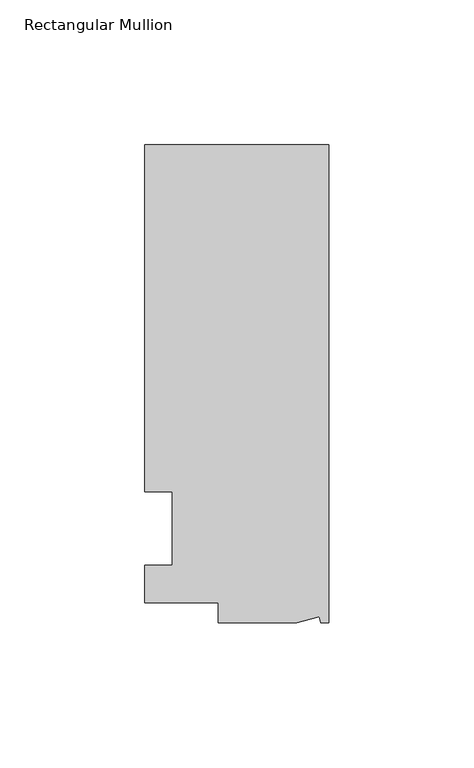
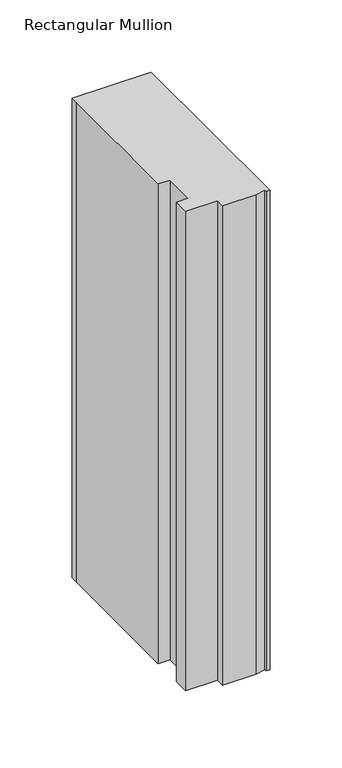
"""IFC4 building model written with IfcOpenShell, lengths in millimetres: member geometry, Rectangular Mullion."""

from ifc_helpers import new_model, si_unit, frame, origin, place, context, project, spatial, polyline, outline, extrude, source, transform, mapped, element, save


def rectangular_mullion_0b0777c4(model_context):
    return source(origin(), model_context, "Body", "SweptSolid", [
        extrude(outline(polyline([(0.0, 132.5561012), (0.0, -32.5438988), (-2.7616541, -32.5438988), (-3.3341886, -30.4622958), (-11.121847, -32.5438988), (-38.1, -32.5438988), (-38.1, -25.5842988), (-63.5, -25.5842988), (-63.5, -12.5945801), (-53.975, -12.5945801), (-53.975, 12.8054199), (-63.5, 12.8054199), (-63.5, 126.2061012), (-63.5, 132.5561012), (0.0, 132.5561012)])), frame((0.0, 0.0, -406.4), z_axis=(0.0, 0.0, 1.0), x_axis=(1.0, 0.0, 0.0)), (0.0, 0.0, 1.0), 406.4),
    ])


if __name__ == "__main__":
    model = new_model("IFC4")
    model_context = context("Model", 3, world=origin())
    ifc_project = project(units=[si_unit("LENGTHUNIT", "METRE", prefix="MILLI")], contexts=[model_context])
    site = spatial("IfcSite", under=ifc_project)
    building = spatial("IfcBuilding", under=site)
    placement = place(None, origin())
    rectangular_mullion_shape = rectangular_mullion_0b0777c4(model_context)
    element("IfcMember", 1, ObjectType="Rectangular Mullion", at=placement, inside=building, context=model_context, shape_type="MappedRepresentation", body=[
        mapped(rectangular_mullion_shape, transform((0.0, 0.0, 0.0), x_axis=(1.0, 0.0, 0.0), y_axis=(0.0, 1.0, 0.0), z_axis=(0.0, 0.0, 1.0))),
    ])
    save(model, "model.ifc")
